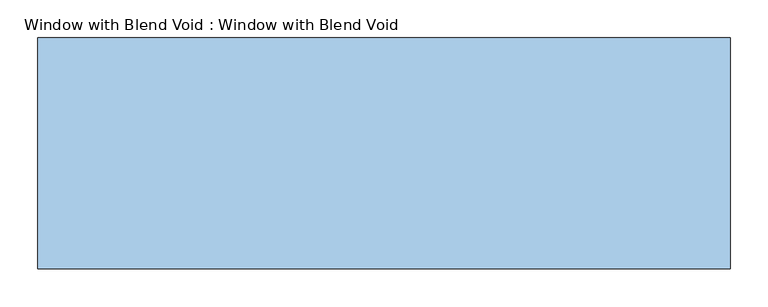
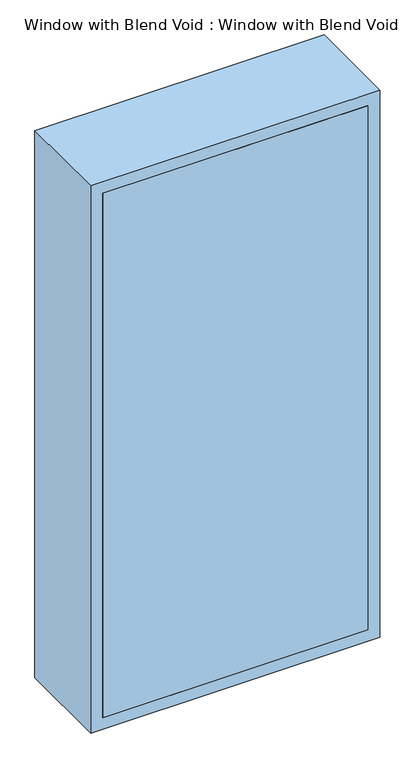
"""IFC4 building model written with IfcOpenShell, lengths in millimetres: window geometry, Window with Blend Void : Window with Blend Void."""

from ifc_helpers import new_model, si_unit, frame, origin, place, context, project, spatial, polyline, outline, extrude, source, transform, mapped, element, save


def window_with_blend_void_window_with_blend_void_b90882b2(model_context):
    return source(origin(), model_context, "Body", "SweptSolid", [
        extrude(outline(polyline([(419.1, -304.8), (-419.1, -304.8), (-419.1, 0.0), (419.1, 0.0), (419.1, -304.8)])), frame((0.0, 0.0, 1257.3), z_axis=(0.0, 0.0, 1.0), x_axis=(1.0, 0.0, 0.0)), (0.0, 0.0, 1.0), 1752.6),
        extrude(outline(polyline([(3048.0, -457.2), (1219.2, -457.2), (1219.2, 457.2), (3048.0, 457.2), (3048.0, -457.2)]), holes=[polyline([(1257.3, -419.1), (3009.9, -419.1), (3009.9, 419.1), (1257.3, 419.1), (1257.3, -419.1)])]), frame((0.0, -304.8, 0.0), z_axis=(0.0, 1.0, 0.0), x_axis=(0.0, 0.0, 1.0)), (0.0, 0.0, 1.0), 304.8),
    ])


if __name__ == "__main__":
    model = new_model("IFC4")
    model_context = context("Model", 3, world=origin())
    ifc_project = project(units=[si_unit("LENGTHUNIT", "METRE", prefix="MILLI")], contexts=[model_context])
    site = spatial("IfcSite", under=ifc_project)
    building = spatial("IfcBuilding", under=site)
    placement = place(None, origin())
    window_with_blend_void_window_with_blend_void_shape = window_with_blend_void_window_with_blend_void_b90882b2(model_context)
    element("IfcWindow", 1, ObjectType="Window with Blend Void : Window with Blend Void", at=placement, inside=building, context=model_context, shape_type="MappedRepresentation", body=[
        mapped(window_with_blend_void_window_with_blend_void_shape, transform((0.0, 0.0, 0.0), x_axis=(1.0, 0.0, 0.0), y_axis=(0.0, 1.0, 0.0), z_axis=(0.0, 0.0, 1.0))),
    ])
    save(model, "model.ifc")
